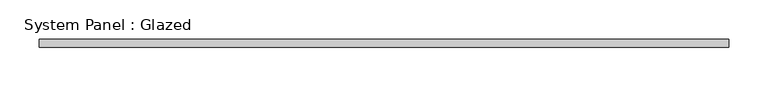
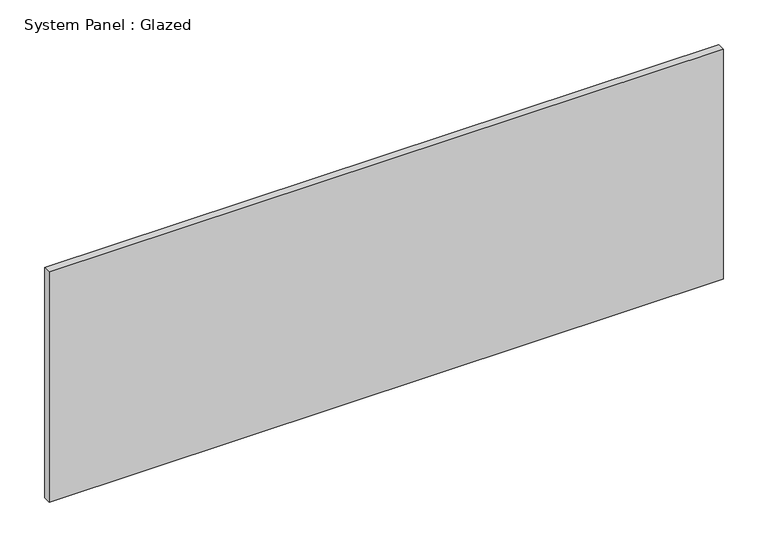
"""IFC4 building model written with IfcOpenShell, lengths in millimetres: plate geometry, System Panel : Glazed."""

from ifc_helpers import new_model, si_unit, origin, origin_with_axes, place, context, project, spatial, polyline, outline, extrude, source, transform, mapped, element, save


def system_panel_glazed_eddf1f6d(model_context):
    return source(origin(), model_context, "Body", "SweptSolid", [
        extrude(outline(polyline([(436.3461806, -5.0), (-436.3461806, -5.0), (-436.3461806, 5.0), (436.3461806, 5.0), (436.3461806, -5.0)])), origin_with_axes(), (0.0, 0.0, 1.0), 315.0),
    ])


if __name__ == "__main__":
    model = new_model("IFC4")
    model_context = context("Model", 3, world=origin())
    ifc_project = project(units=[si_unit("LENGTHUNIT", "METRE", prefix="MILLI")], contexts=[model_context])
    site = spatial("IfcSite", under=ifc_project)
    building = spatial("IfcBuilding", under=site)
    placement = place(None, origin())
    system_panel_glazed_shape = system_panel_glazed_eddf1f6d(model_context)
    element("IfcPlate", 1, ObjectType="System Panel : Glazed", at=placement, inside=building, context=model_context, shape_type="MappedRepresentation", body=[
        mapped(system_panel_glazed_shape, transform((0.0, 0.0, 0.0), x_axis=(1.0, 0.0, 0.0), y_axis=(0.0, 1.0, 0.0), z_axis=(0.0, 0.0, 1.0))),
    ])
    save(model, "model.ifc")
